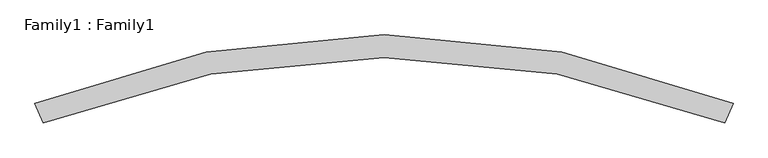
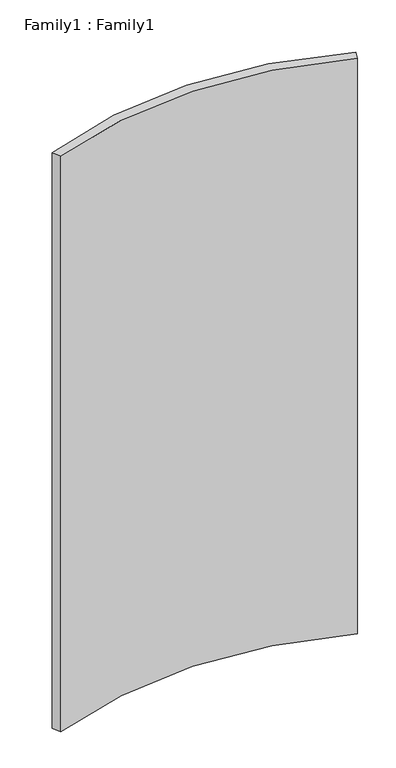
"""IFC4 building model written with IfcOpenShell, lengths in millimetres: plate geometry, Family1 : Family1."""

from ifc_helpers import new_model, si_unit, point, frame_2d, origin, origin_with_axes, place, context, project, spatial, polyline, circle_curve, trimmed, segment, composite_curve, outline, extrude, source, transform, mapped, element, save


def family1_family1_5d46a573(model_context):
    return source(origin(), model_context, "Body", "SweptSolid", [
        extrude(outline(composite_curve([segment(polyline([(762.0, -177.8), (743.4294529, -220.3926883)]), True, "CONTINUOUS"), segment(trimmed(circle_curve(frame_2d((0.0, -2085.7606768)), 2008.05505), [point((743.4294529, -220.3926883))], [point((-743.4294529, -220.3926883))], True, "CARTESIAN"), True, "CONTINUOUS"), segment(polyline([(-743.4294529, -220.3926883), (-762.0, -177.8)]), True, "CONTINUOUS"), segment(trimmed(circle_curve(frame_2d((0.0, -2034.9606768)), 2007.4087226), [point((-762.0, -177.8))], [point((762.0, -177.8))], False, "CARTESIAN"), True, "CONTINUOUS")], self_intersect=False)), origin_with_axes(), (0.0, 0.0, 1.0), 3048.0),
    ])


if __name__ == "__main__":
    model = new_model("IFC4")
    model_context = context("Model", 3, world=origin())
    ifc_project = project(units=[si_unit("LENGTHUNIT", "METRE", prefix="MILLI")], contexts=[model_context])
    site = spatial("IfcSite", under=ifc_project)
    building = spatial("IfcBuilding", under=site)
    placement = place(None, origin())
    family1_family1_shape = family1_family1_5d46a573(model_context)
    element("IfcPlate", 1, ObjectType="Family1 : Family1", at=placement, inside=building, context=model_context, shape_type="MappedRepresentation", body=[
        mapped(family1_family1_shape, transform((0.0, 0.0, 0.0), x_axis=(1.0, 0.0, 0.0), y_axis=(0.0, 1.0, 0.0), z_axis=(0.0, 0.0, 1.0))),
    ])
    save(model, "model.ifc")
